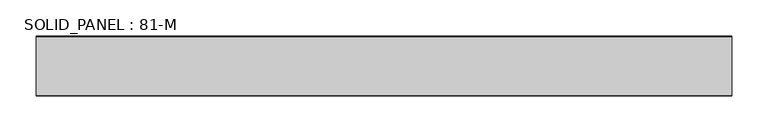
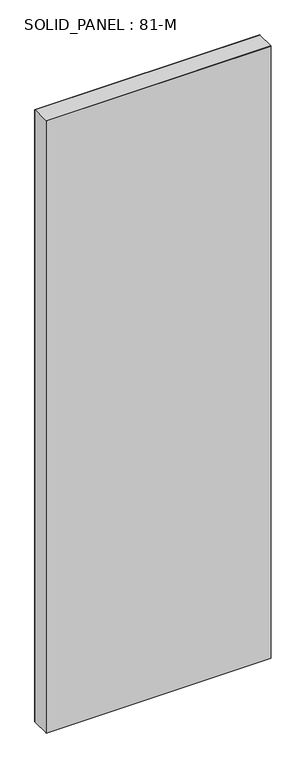
"""IFC4 building model written with IfcOpenShell, lengths in millimetres: plate geometry, SOLID_PANEL : 81-M."""

from ifc_helpers import new_model, si_unit, origin, origin_with_axes, place, context, project, spatial, polyline, outline, extrude, source, transform, mapped, element, save


def solid_panel_81_m_00cb1680(model_context):
    return source(origin(), model_context, "Body", "SweptSolid", [
        extrude(outline(polyline([(479.25, -40.5), (-479.25, -40.5), (-479.25, 40.5), (479.25, 40.5), (479.25, -40.5)])), origin_with_axes(), (0.0, 0.0, 1.0), 2755.0),
        extrude(outline(polyline([(479.25, -41.5), (-479.25, -41.5), (-479.25, -40.5), (479.25, -40.5), (479.25, -41.5)])), origin_with_axes(), (0.0, 0.0, 1.0), 2755.0),
        extrude(outline(polyline([(479.25, 40.5), (-479.25, 40.5), (-479.25, 41.5), (479.25, 41.5), (479.25, 40.5)])), origin_with_axes(), (0.0, 0.0, 1.0), 2755.0),
    ])


if __name__ == "__main__":
    model = new_model("IFC4")
    model_context = context("Model", 3, world=origin())
    ifc_project = project(units=[si_unit("LENGTHUNIT", "METRE", prefix="MILLI")], contexts=[model_context])
    site = spatial("IfcSite", under=ifc_project)
    building = spatial("IfcBuilding", under=site)
    placement = place(None, origin())
    solid_panel_81_m_shape = solid_panel_81_m_00cb1680(model_context)
    element("IfcPlate", 1, ObjectType="SOLID_PANEL : 81-M", at=placement, inside=building, context=model_context, shape_type="MappedRepresentation", body=[
        mapped(solid_panel_81_m_shape, transform((0.0, 0.0, 0.0), x_axis=(1.0, 0.0, 0.0), y_axis=(0.0, 1.0, 0.0), z_axis=(0.0, 0.0, 1.0))),
    ])
    save(model, "model.ifc")
